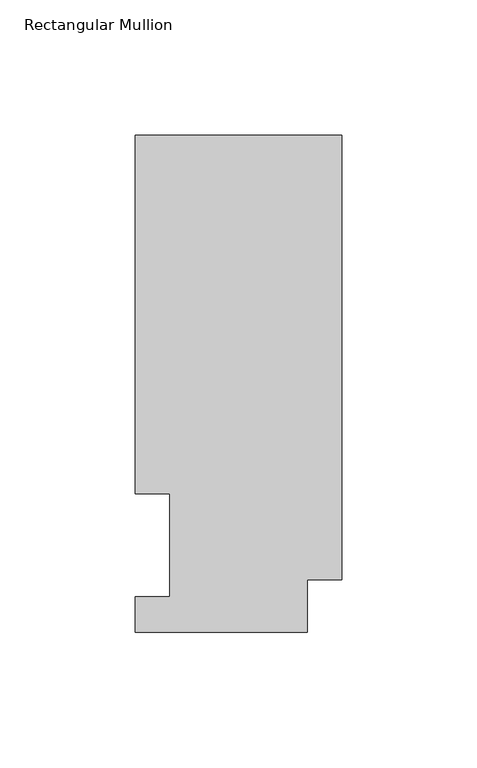
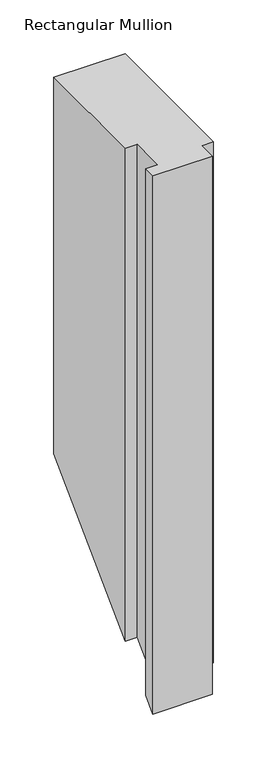
"""IFC4 building model written with IfcOpenShell, lengths in millimetres: member geometry, Rectangular Mullion."""

from ifc_helpers import new_model, si_unit, origin, place, context, project, spatial, faceted_brep, source, transform, mapped, element, save


def rectangular_mullion_67cbe4c7(model_context):
    return source(origin(), model_context, "Body", "Brep", [
        faceted_brep([(0.0, 183.6554938, 0.0), (-76.2000004, 183.6554938, 0.0), (-76.2000004, 51.2960938, 0.0), (-63.4943324, 51.2960938, 0.0), (-63.4943324, 13.1960937, 0.0), (-76.2000004, 13.1960937, 0.0), (-76.2000004, 0.0134937, 0.0), (-12.7, 0.0134937, 0.0), (-12.7, 19.5460937, 0.0), (0.0, 19.5460937, 0.0), (0.0, 19.5460937, -590.0539063), (0.0, 183.6554938, -425.9445062), (-12.7, 19.5460937, -590.0539063), (-12.7, 0.0134937, -609.5865062), (-76.2000004, 0.0134937, -609.5865062), (-76.2000004, 13.1960937, -596.4039062), (-63.4943324, 13.1960937, -596.4039062), (-63.4943324, 51.2960938, -558.3039062), (-76.2000004, 51.2960938, -558.3039062), (-76.2000004, 183.6554938, -425.9445062)], [[[0, 1, 2, 3, 4, 5, 6, 7, 8, 9]], [[0, 9, 10, 11]], [[9, 8, 12, 10]], [[8, 7, 13, 12]], [[7, 6, 14, 13]], [[6, 5, 15, 14]], [[5, 4, 16, 15]], [[4, 3, 17, 16]], [[3, 2, 18, 17]], [[2, 1, 19, 18]], [[1, 0, 11, 19]], [[11, 10, 12, 13, 14, 15, 16, 17, 18, 19]]]),
    ])


if __name__ == "__main__":
    model = new_model("IFC4")
    model_context = context("Model", 3, world=origin())
    ifc_project = project(units=[si_unit("LENGTHUNIT", "METRE", prefix="MILLI")], contexts=[model_context])
    site = spatial("IfcSite", under=ifc_project)
    building = spatial("IfcBuilding", under=site)
    placement = place(None, origin())
    rectangular_mullion_shape = rectangular_mullion_67cbe4c7(model_context)
    element("IfcMember", 1, ObjectType="Rectangular Mullion", at=placement, inside=building, context=model_context, shape_type="MappedRepresentation", body=[
        mapped(rectangular_mullion_shape, transform((0.0, 0.0, 0.0), x_axis=(1.0, 0.0, 0.0), y_axis=(0.0, 1.0, 0.0), z_axis=(0.0, 0.0, 1.0))),
    ])
    save(model, "model.ifc")
